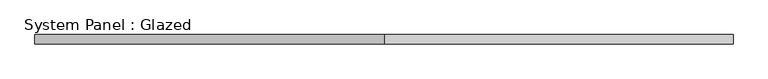
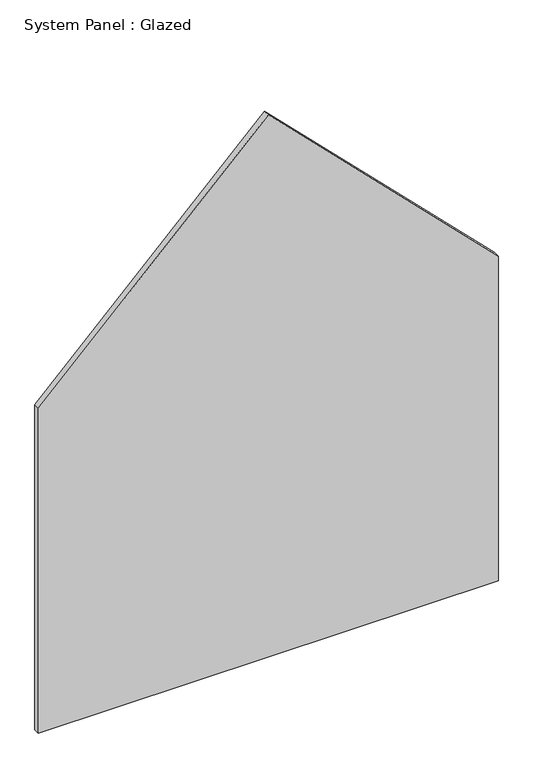
"""IFC4 building model written with IfcOpenShell, lengths in millimetres: plate geometry, System Panel : Glazed."""

from ifc_helpers import new_model, si_unit, frame, origin, place, context, project, spatial, polyline, outline, extrude, source, transform, mapped, element, save


def system_panel_glazed_e3a60807(model_context):
    return source(origin(), model_context, "Body", "SweptSolid", [
        extrude(outline(polyline([(0.0, -925.0), (0.0, 925.0), (1380.2943725, 925.0), (2305.2943725, 0.0), (1380.2943725, -925.0), (0.0, -925.0)])), frame((0.0, 24.5, 0.0), z_axis=(0.0, 1.0, 0.0), x_axis=(0.0, 0.0, 1.0)), (0.0, 0.0, 1.0), 25.0),
    ])


if __name__ == "__main__":
    model = new_model("IFC4")
    model_context = context("Model", 3, world=origin())
    ifc_project = project(units=[si_unit("LENGTHUNIT", "METRE", prefix="MILLI")], contexts=[model_context])
    site = spatial("IfcSite", under=ifc_project)
    building = spatial("IfcBuilding", under=site)
    placement = place(None, origin())
    system_panel_glazed_shape = system_panel_glazed_e3a60807(model_context)
    element("IfcPlate", 1, ObjectType="System Panel : Glazed", at=placement, inside=building, context=model_context, shape_type="MappedRepresentation", body=[
        mapped(system_panel_glazed_shape, transform((0.0, 0.0, 0.0), x_axis=(1.0, 0.0, 0.0), y_axis=(0.0, 1.0, 0.0), z_axis=(0.0, 0.0, 1.0))),
    ])
    save(model, "model.ifc")
